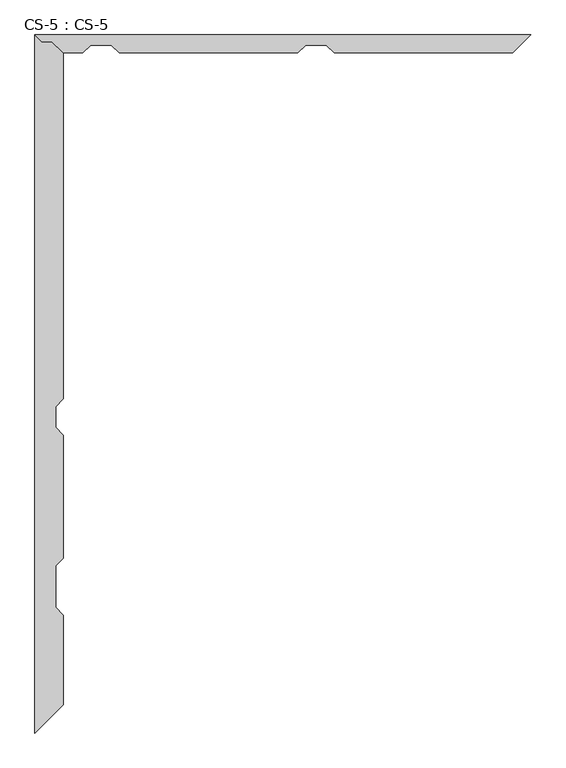
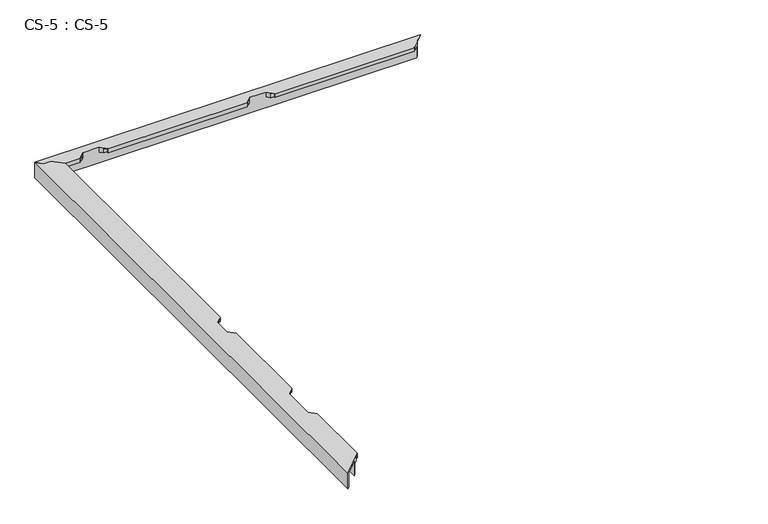
"""IFC4 building model written with IfcOpenShell, lengths in millimetres: proxy geometry, CS-5 : CS-5."""

from ifc_helpers import new_model, si_unit, origin, place, context, project, spatial, faceted_brep, source, transform, mapped, element, save


def cs_5_cs_5_df654433(model_context):
    return source(origin(), model_context, "Body", "Brep", [
        faceted_brep([(1582.4191059, 2227.5800292, 66.675), (0.0, 2227.5800292, 66.675), (21.59, 2205.9900292, 66.675), (53.34, 2205.9900292, 66.675), (90.678, 2169.9220292, 66.675), (153.1609027, 2169.9220292, 66.675), (177.7989027, 2194.5600292, 66.675), (243.8389027, 2194.5600292, 66.675), (268.4769027, 2169.9220292, 66.675), (838.9610043, 2169.9220292, 66.675), (863.5990043, 2194.5600292, 66.675), (929.6390043, 2194.5600292, 66.675), (954.2770043, 2169.9220292, 66.675), (1524.7611059, 2169.9220292, 66.675), (1582.4191059, 2227.5800292, 63.5), (0.0, 2227.5800292, 63.5), (1556.3841059, 2201.5450292, 63.5), (57.9415141, 2201.5450292, 63.5), (53.34, 2205.9900292, 63.5), (21.59, 2205.9900292, 63.5), (57.9415141, 2201.5450292, 0.0), (1556.3841059, 2201.5450292, 0.0), (1549.3991059, 2194.5600292, 0.0), (65.1724648, 2194.5600292, 0.0), (65.1724648, 2194.5600292, 46.355), (1549.3991059, 2194.5600292, 46.355), (929.6390043, 2194.5600292, 46.355), (863.5990043, 2194.5600292, 46.355), (243.8389027, 2194.5600292, 46.355), (177.7989027, 2194.5600292, 46.355), (78.4511197, 2181.7330292, 46.355), (164.9719027, 2181.7330292, 46.355), (1536.5721059, 2181.7330292, 46.355), (942.4660043, 2181.7330292, 46.355), (256.6659027, 2181.7330292, 46.355), (850.7720043, 2181.7330292, 46.355), (78.4511197, 2181.7330292, 64.643), (164.9719027, 2181.7330292, 64.643), (1536.5721059, 2181.7330292, 64.643), (942.4660043, 2181.7330292, 64.643), (256.6659027, 2181.7330292, 64.643), (850.7720043, 2181.7330292, 64.643), (89.100338, 2171.4460292, 64.643), (154.6849027, 2171.4460292, 64.643), (1526.2851059, 2171.4460292, 64.643), (952.7530043, 2171.4460292, 64.643), (266.9529027, 2171.4460292, 64.643), (840.4850043, 2171.4460292, 64.643), (89.100338, 2171.4460292, 49.8094), (154.6849027, 2171.4460292, 49.8094), (1526.2851059, 2171.4460292, 49.8094), (952.7530043, 2171.4460292, 49.8094), (266.9529027, 2171.4460292, 49.8094), (840.4850043, 2171.4460292, 49.8094), (90.678, 2169.9220292, 49.8094), (153.1609027, 2169.9220292, 49.8094), (1524.7611059, 2169.9220292, 49.8094), (954.2770043, 2169.9220292, 49.8094), (268.4769027, 2169.9220292, 49.8094), (838.9610043, 2169.9220292, 49.8094)], [[[0, 1, 2, 3, 4, 5, 6, 7, 8, 9, 10, 11, 12, 13]], [[1, 0, 14, 15]], [[15, 14, 16, 17, 18, 19]], [[20, 17, 16, 21]], [[22, 23, 20, 21]], [[24, 23, 22, 25, 26, 11, 10, 27, 28, 7, 6, 29]], [[30, 24, 29, 31]], [[25, 32, 33, 26]], [[34, 28, 27, 35]], [[36, 30, 31, 37]], [[32, 38, 39, 33]], [[40, 34, 35, 41]], [[42, 36, 37, 43]], [[38, 44, 45, 39]], [[46, 40, 41, 47]], [[48, 42, 43, 49]], [[44, 50, 51, 45]], [[52, 46, 47, 53]], [[54, 48, 49, 55]], [[50, 56, 57, 51]], [[58, 52, 53, 59]], [[4, 54, 55, 5]], [[56, 13, 12, 57]], [[8, 58, 59, 9]], [[19, 2, 1, 15]], [[3, 18, 17, 20, 23, 24, 30, 36, 42, 48, 54, 4]], [[2, 19, 18, 3]], [[0, 13, 56, 50, 44, 38, 32, 25, 22, 21, 16, 14]], [[7, 28, 34, 40, 46, 52, 58, 8]], [[29, 6, 5, 55, 49, 43, 37, 31]], [[11, 26, 33, 39, 45, 51, 57, 12]], [[27, 10, 9, 59, 53, 47, 41, 35]]]),
        faceted_brep([(0.0, 0.0, 0.0), (0.0, 2227.5800292, 0.0), (6.985, 2220.5950292, 0.0), (6.985, 6.985, 0.0), (6.985, 6.985, 63.5), (6.985, 2220.5950292, 63.5), (59.055, 59.055, 63.5), (21.59, 2205.9900292, 63.5), (53.34, 2205.9900292, 63.5), (59.055, 2200.4694169, 63.5), (59.055, 59.055, 0.0), (59.055, 2200.4694169, 0.0), (66.04, 2193.722002, 0.0), (66.04, 66.04, 0.0), (66.04, 66.04, 46.355), (66.04, 2193.722002, 46.355), (66.04, 1041.4000584, 46.355), (66.04, 1041.4000584, 66.675), (66.04, 975.3600584, 66.675), (66.04, 975.3600584, 46.355), (66.04, 533.4000292, 46.355), (66.04, 533.4000292, 66.675), (66.04, 401.3200292, 66.675), (66.04, 401.3200292, 46.355), (78.867, 78.867, 46.355), (78.867, 388.4930292, 46.355), (78.867, 2181.3312945, 46.355), (78.867, 1054.2270584, 46.355), (78.867, 546.2270292, 46.355), (78.867, 962.5330584, 46.355), (78.867, 78.867, 63.5), (78.867, 388.4930292, 63.5), (78.867, 2181.3312945, 63.5), (78.867, 1054.2270584, 63.5), (78.867, 546.2270292, 63.5), (78.867, 962.5330584, 63.5), (89.154, 89.154, 63.5), (89.154, 378.2060292, 63.5), (89.154, 2171.3941924, 63.5), (89.154, 1064.5140584, 63.5), (89.154, 556.5140292, 63.5), (89.154, 952.2460584, 63.5), (89.154, 89.154, 49.8094), (89.154, 378.2060292, 49.8094), (89.154, 2171.3941924, 49.8094), (89.154, 1064.5140584, 49.8094), (89.154, 556.5140292, 49.8094), (89.154, 952.2460584, 49.8094), (90.678, 90.678, 49.8094), (90.678, 376.6820292, 49.8094), (90.678, 2169.9220292, 49.8094), (90.678, 1066.0380584, 49.8094), (90.678, 558.0380292, 49.8094), (90.678, 950.7220584, 49.8094), (90.678, 90.678, 66.675), (90.678, 376.6820292, 66.675), (90.678, 2169.9220292, 66.675), (90.678, 1066.0380584, 66.675), (90.678, 558.0380292, 66.675), (90.678, 950.7220584, 66.675), (0.0, 2227.5800292, 66.675), (0.0, 0.0, 66.675), (53.34, 2205.9900292, 66.675), (21.59, 2205.9900292, 66.675)], [[[0, 1, 2, 3]], [[4, 3, 2, 5]], [[6, 4, 5, 7, 8, 9]], [[10, 6, 9, 11]], [[12, 13, 10, 11]], [[14, 13, 12, 15, 16, 17, 18, 19, 20, 21, 22, 23]], [[24, 14, 23, 25]], [[15, 26, 27, 16]], [[28, 20, 19, 29]], [[30, 24, 25, 31]], [[26, 32, 33, 27]], [[34, 28, 29, 35]], [[36, 30, 31, 37]], [[32, 38, 39, 33]], [[40, 34, 35, 41]], [[42, 36, 37, 43]], [[38, 44, 45, 39]], [[46, 40, 41, 47]], [[48, 42, 43, 49]], [[44, 50, 51, 45]], [[52, 46, 47, 53]], [[54, 48, 49, 55]], [[50, 56, 57, 51]], [[58, 52, 53, 59]], [[60, 61, 54, 55, 22, 21, 58, 59, 18, 17, 57, 56, 62, 63]], [[1, 0, 61, 60]], [[0, 3, 4, 6, 10, 13, 14, 24, 30, 36, 42, 48, 54, 61]], [[7, 63, 62, 8]], [[8, 62, 56, 50, 44, 38, 32, 26, 15, 12, 11, 9]], [[63, 7, 5, 2, 1, 60]], [[23, 22, 55, 49, 43, 37, 31, 25]], [[21, 20, 28, 34, 40, 46, 52, 58]], [[17, 16, 27, 33, 39, 45, 51, 57]], [[19, 18, 59, 53, 47, 41, 35, 29]]]),
    ])


if __name__ == "__main__":
    model = new_model("IFC4")
    model_context = context("Model", 3, world=origin())
    ifc_project = project(units=[si_unit("LENGTHUNIT", "METRE", prefix="MILLI")], contexts=[model_context])
    site = spatial("IfcSite", under=ifc_project)
    building = spatial("IfcBuilding", under=site)
    placement = place(None, origin())
    cs_5_cs_5_shape = cs_5_cs_5_df654433(model_context)
    element("IfcBuildingElementProxy", 1, Name="CS-5 : CS-5", ObjectType="CS-5 : CS-5", at=placement, inside=building, context=model_context, shape_type="MappedRepresentation", body=[
        mapped(cs_5_cs_5_shape, transform((0.0, 0.0, 0.0), x_axis=(1.0, 0.0, 0.0), y_axis=(0.0, 1.0, 0.0), z_axis=(0.0, 0.0, 1.0))),
    ])
    save(model, "model.ifc")
